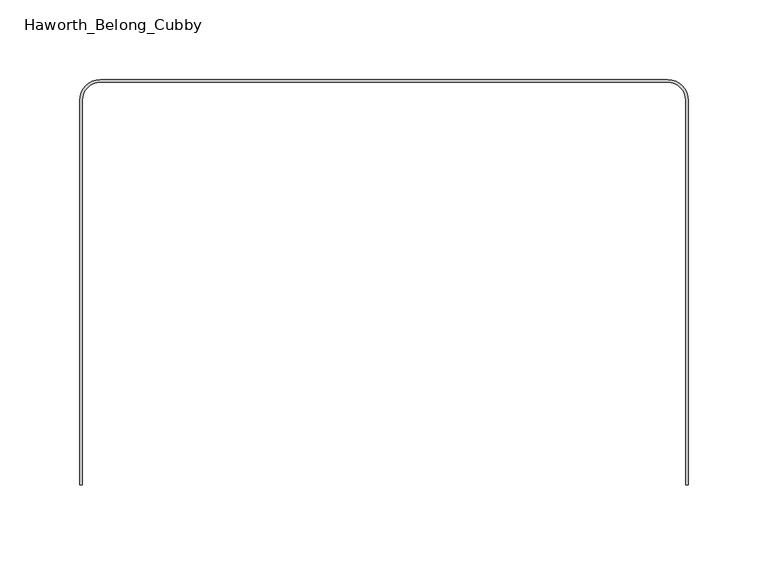
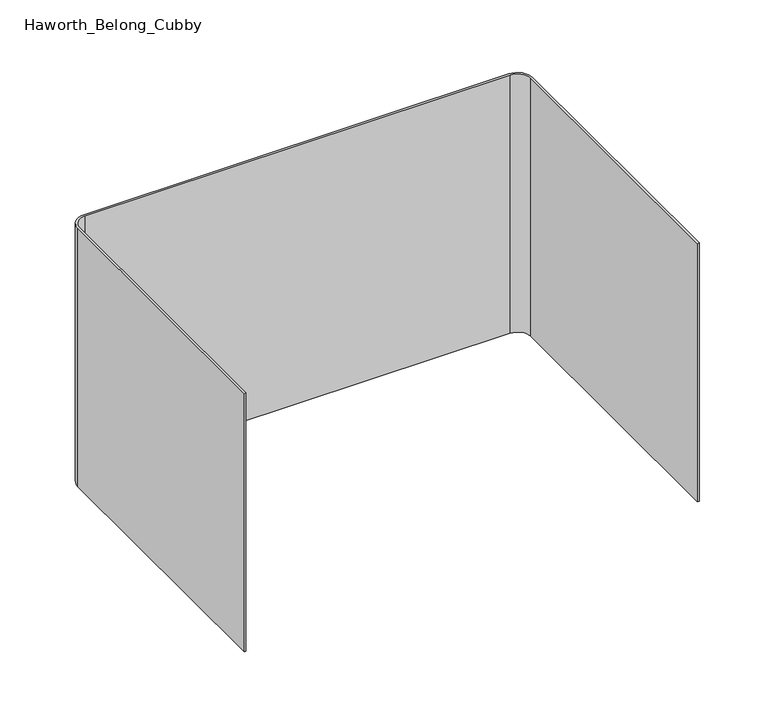
"""IFC4 building model written with IfcOpenShell, lengths in millimetres: furniture geometry, Haworth_Belong_Cubby."""

from ifc_helpers import new_model, si_unit, point, frame, frame_2d, origin, place, context, project, spatial, polyline, circle_curve, trimmed, segment, composite_curve, outline, extrude, source, transform, mapped, element, save


def haworth_belong_cubby_38406dbe(model_context):
    return source(origin(), model_context, "Body", "SweptSolid", [
        extrude(outline(composite_curve([segment(polyline([(-190.5, -253.20625), (-190.5, -11.90625)]), True, "CONTINUOUS"), segment(trimmed(circle_curve(frame_2d((-177.8, -11.90625)), 12.7), [point((-190.5, -11.90625))], [point((-177.8, 0.79375))], False, "CARTESIAN"), True, "CONTINUOUS"), segment(polyline([(-177.8, 0.79375), (177.8, 0.79375)]), True, "CONTINUOUS"), segment(trimmed(circle_curve(frame_2d((177.8, -11.90625)), 12.7), [point((177.8, 0.79375))], [point((190.5, -11.90625))], False, "CARTESIAN"), True, "CONTINUOUS"), segment(polyline([(190.5, -11.90625), (190.5, -253.20625), (188.9125, -253.20625), (188.9125, -11.90625)]), True, "CONTINUOUS"), segment(trimmed(circle_curve(frame_2d((177.8, -11.90625)), 11.1125), [point((188.9125, -11.90625))], [point((177.8, -0.79375))], True, "CARTESIAN"), True, "CONTINUOUS"), segment(polyline([(177.8, -0.79375), (-177.8, -0.79375)]), True, "CONTINUOUS"), segment(trimmed(circle_curve(frame_2d((-177.8, -11.90625)), 11.1125), [point((-177.8, -0.79375))], [point((-188.9125, -11.90625))], True, "CARTESIAN"), True, "CONTINUOUS"), segment(polyline([(-188.9125, -11.90625), (-188.9125, -253.20625), (-190.5, -253.20625)]), True, "CONTINUOUS")], self_intersect=False)), frame((0.0, 0.0, 762.0), z_axis=(0.0, 0.0, 1.0), x_axis=(1.0, 0.0, 0.0)), (0.0, 0.0, 1.0), 228.6),
    ])


if __name__ == "__main__":
    model = new_model("IFC4")
    model_context = context("Model", 3, world=origin())
    ifc_project = project(units=[si_unit("LENGTHUNIT", "METRE", prefix="MILLI")], contexts=[model_context])
    site = spatial("IfcSite", under=ifc_project)
    building = spatial("IfcBuilding", under=site)
    placement = place(None, origin())
    haworth_belong_cubby_shape = haworth_belong_cubby_38406dbe(model_context)
    element("IfcFurniture", 1, ObjectType="Haworth_Belong_Cubby", at=placement, inside=building, context=model_context, shape_type="MappedRepresentation", body=[
        mapped(haworth_belong_cubby_shape, transform((0.0, 0.0, 0.0), x_axis=(1.0, 0.0, 0.0), y_axis=(0.0, 1.0, 0.0), z_axis=(0.0, 0.0, 1.0))),
    ])
    save(model, "model.ifc")
